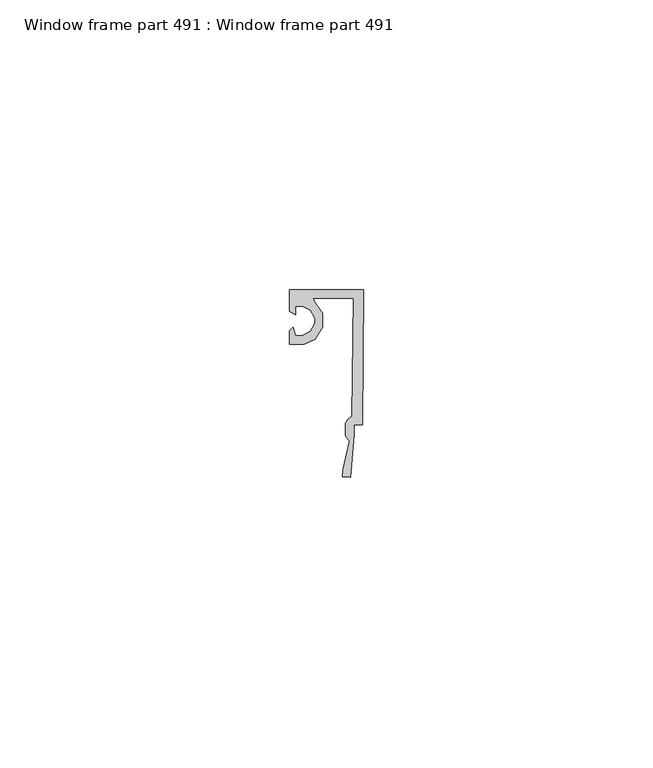
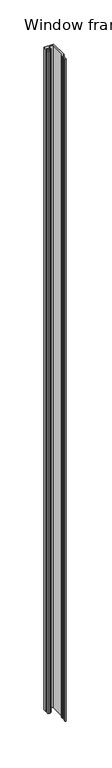
"""IFC4 building model written with IfcOpenShell, lengths in millimetres: proxy geometry, Window frame part 491 : Window frame part 491."""

from ifc_helpers import new_model, si_unit, frame, origin, place, context, project, spatial, polyline, outline, extrude, source, transform, mapped, element, save


def window_frame_part_491_window_frame_part_491_4166a274(model_context):
    return source(origin(), model_context, "Body", "SweptSolid", [
        extrude(outline(polyline([(37247.3890808, -22772.5166904), (37244.9577928, -22772.5166904), (37244.9577928, -22770.1636344), (37245.5643448, -22769.5509864), (37245.9727768, -22771.0455224), (37247.1137448, -22771.0506024), (37248.5737368, -22770.3018104), (37249.3235448, -22768.8408024), (37249.3235448, -22768.0351144), (37248.5686568, -22766.6797704), (37247.2122968, -22765.9248824), (37245.9727768, -22765.9248824), (37245.9727768, -22767.4184024), (37244.9577928, -22766.8118504), (37244.9577928, -22763.1359624), (37257.6577928, -22763.1359624), (37257.5592408, -22786.3972824), (37256.0819768, -22786.3972824), (37256.0819768, -22788.1000984), (37255.4205608, -22795.4254584), (37254.1028088, -22795.3319864), (37254.1962808, -22794.1574904), (37255.2488568, -22789.2298904), (37254.6097928, -22788.3032984), (37254.6097928, -22786.1544584), (37254.9846968, -22785.4107464), (37255.7395848, -22784.9515144), (37255.9275448, -22764.6081464), (37249.0096008, -22764.6081464), (37249.4393688, -22765.4118024), (37250.5864328, -22767.1481464), (37250.6352008, -22769.6058504), (37249.2849368, -22771.6581704), (37247.3890808, -22772.5166904)])), frame((0.0, 0.0, 1524.0), z_axis=(0.0, 0.0, 1.0), x_axis=(1.0, 0.0, 0.0)), (0.0, 0.0, 1.0), 914.4),
    ])


if __name__ == "__main__":
    model = new_model("IFC4")
    model_context = context("Model", 3, world=origin())
    ifc_project = project(units=[si_unit("LENGTHUNIT", "METRE", prefix="MILLI")], contexts=[model_context])
    site = spatial("IfcSite", under=ifc_project)
    building = spatial("IfcBuilding", under=site)
    placement = place(None, origin())
    window_frame_part_491_window_frame_part_491_shape = window_frame_part_491_window_frame_part_491_4166a274(model_context)
    element("IfcBuildingElementProxy", 1, Name="Window frame part 491 : Window frame part 491", ObjectType="Window frame part 491 : Window frame part 491", at=placement, inside=building, context=model_context, shape_type="MappedRepresentation", body=[
        mapped(window_frame_part_491_window_frame_part_491_shape, transform((0.0, 0.0, 0.0), x_axis=(1.0, 0.0, 0.0), y_axis=(0.0, 1.0, 0.0), z_axis=(0.0, 0.0, 1.0))),
    ])
    save(model, "model.ifc")
